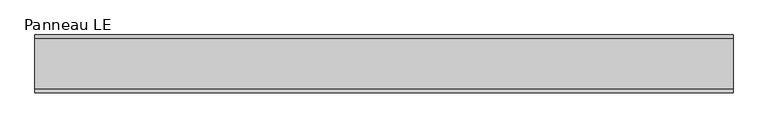
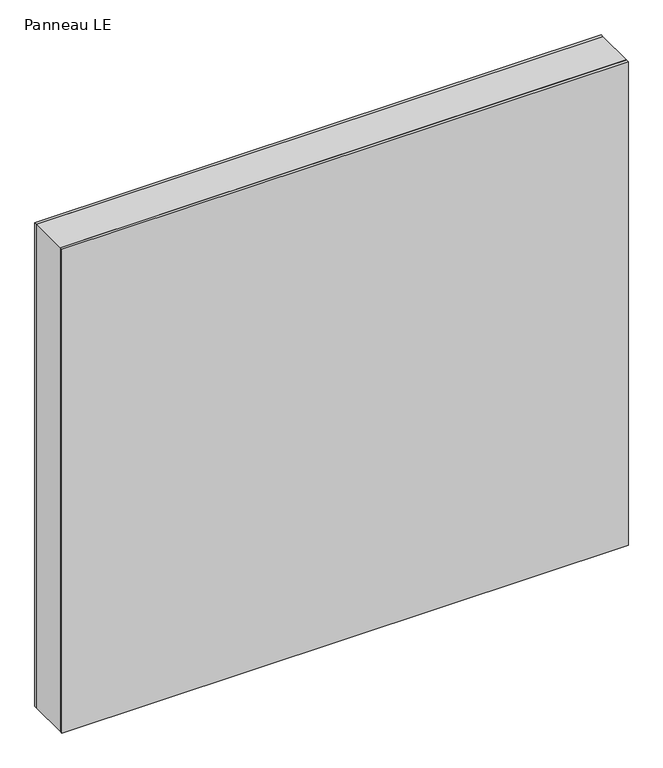
"""IFC4 building model written with IfcOpenShell, lengths in millimetres: plate geometry, Panneau LE."""

from ifc_helpers import new_model, si_unit, frame, origin, origin_with_axes, place, context, project, spatial, polyline, outline, extrude, source, transform, mapped, element, save


def panneau_le_7e87415b(model_context):
    return source(origin(), model_context, "Body", "SweptSolid", [
        extrude(outline(polyline([(983.5, 544.8750001), (983.5, -544.8750001), (0.0, -544.8750001), (0.0, 544.8750001), (983.5, 544.8750001)]), holes=[polyline([(30.0, -504.8750001), (923.5, -504.8750001), (923.5, 504.8750001), (30.0, 504.8750001), (30.0, -504.8750001)])]), frame((0.0, -39.0, 0.0), z_axis=(0.0, 1.0, 0.0), x_axis=(0.0, 0.0, 1.0)), (0.0, 0.0, 1.0), 78.0),
        extrude(outline(polyline([(544.8750001, 39.0), (-544.8750001, 39.0), (-544.8750001, 45.0), (544.8750001, 45.0), (544.8750001, 39.0)])), origin_with_axes(), (0.0, 0.0, 1.0), 983.5),
        extrude(outline(polyline([(-544.8750001, -45.0), (-544.8750001, -39.0), (544.8750001, -39.0), (544.8750001, -45.0), (-544.8750001, -45.0)])), origin_with_axes(), (0.0, 0.0, 1.0), 983.5),
    ])


if __name__ == "__main__":
    model = new_model("IFC4")
    model_context = context("Model", 3, world=origin())
    ifc_project = project(units=[si_unit("LENGTHUNIT", "METRE", prefix="MILLI")], contexts=[model_context])
    site = spatial("IfcSite", under=ifc_project)
    building = spatial("IfcBuilding", under=site)
    placement = place(None, origin())
    panneau_le_shape = panneau_le_7e87415b(model_context)
    element("IfcPlate", 1, ObjectType="Panneau LE", at=placement, inside=building, context=model_context, shape_type="MappedRepresentation", body=[
        mapped(panneau_le_shape, transform((0.0, 0.0, 0.0), x_axis=(1.0, 0.0, 0.0), y_axis=(0.0, 1.0, 0.0), z_axis=(0.0, 0.0, 1.0))),
    ])
    save(model, "model.ifc")
